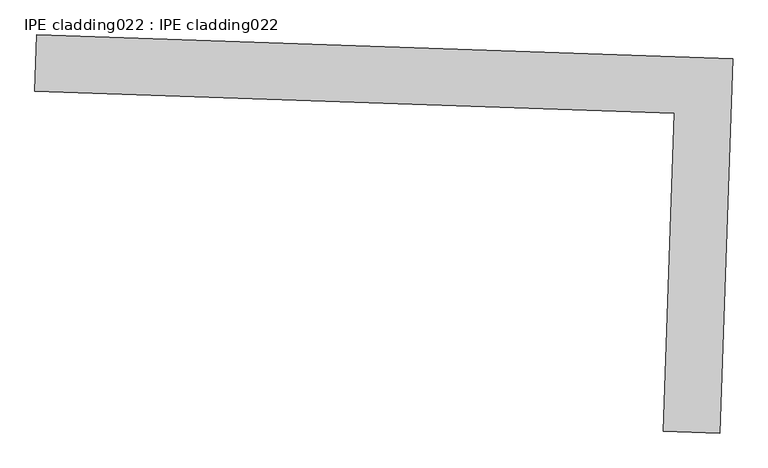
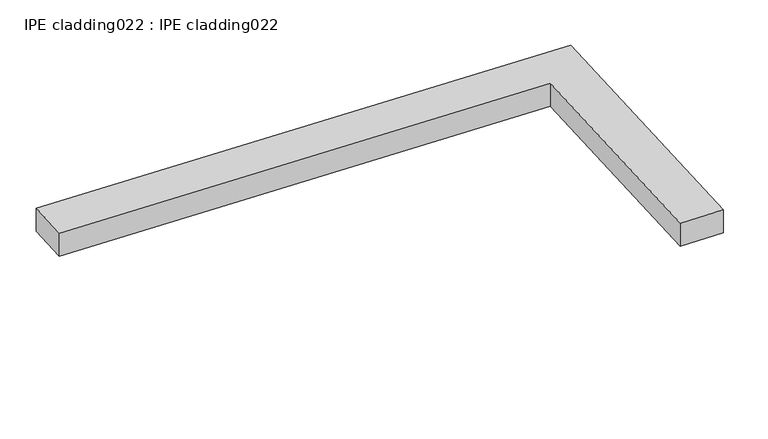
"""IFC4 building model written with IfcOpenShell, lengths in millimetres: proxy geometry, IPE cladding022 : IPE cladding022."""

from ifc_helpers import new_model, si_unit, frame, origin, place, context, project, spatial, polyline, outline, extrude, source, transform, mapped, element, save


def ipe_cladding022_ipe_cladding022_5f727001(model_context):
    return source(origin(), model_context, "Body", "SweptSolid", [
        extrude(outline(polyline([(17306.503674, -14579.7359054), (17309.5442109, -14490.8879165), (18404.9713725, -14528.375389), (18384.8189493, -15117.2524276), (18295.9709602, -15114.2118909), (18313.082847, -14614.182841), (17306.503674, -14579.7359054)])), frame((0.0, 0.0, 2359.975707), z_axis=(0.0, 0.0, 1.0), x_axis=(1.0, 0.0, 0.0)), (0.0, 0.0, 1.0), 50.8),
    ])


if __name__ == "__main__":
    model = new_model("IFC4")
    model_context = context("Model", 3, world=origin())
    ifc_project = project(units=[si_unit("LENGTHUNIT", "METRE", prefix="MILLI")], contexts=[model_context])
    site = spatial("IfcSite", under=ifc_project)
    building = spatial("IfcBuilding", under=site)
    placement = place(None, origin())
    ipe_cladding022_ipe_cladding022_shape = ipe_cladding022_ipe_cladding022_5f727001(model_context)
    element("IfcBuildingElementProxy", 1, Name="IPE cladding022 : IPE cladding022", ObjectType="IPE cladding022 : IPE cladding022", at=placement, inside=building, context=model_context, shape_type="MappedRepresentation", body=[
        mapped(ipe_cladding022_ipe_cladding022_shape, transform((0.0, 0.0, 0.0), x_axis=(1.0, 0.0, 0.0), y_axis=(0.0, 1.0, 0.0), z_axis=(0.0, 0.0, 1.0))),
    ])
    save(model, "model.ifc")
